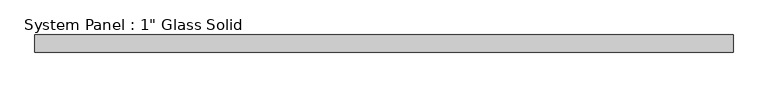
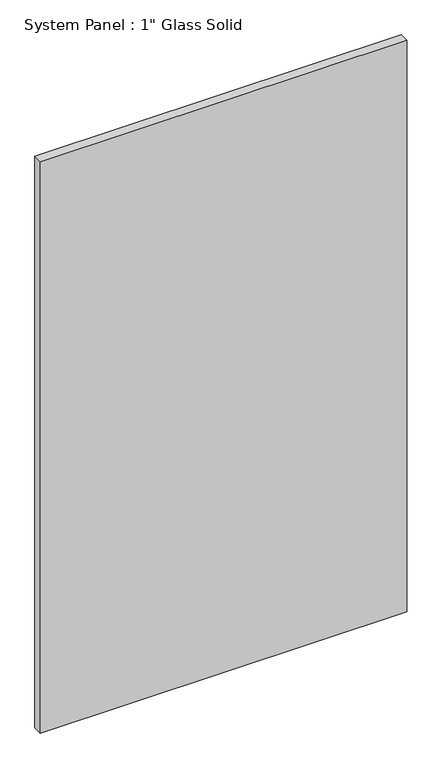
"""IFC4 building model written with IfcOpenShell, lengths in millimetres: plate geometry."""

from ifc_helpers import new_model, si_unit, origin, origin_with_axes, place, context, project, spatial, polyline, outline, extrude, source, transform, mapped, element, save


def plate_be397f07(model_context):
    return source(origin(), model_context, "Body", "SweptSolid", [
        extrude(outline(polyline([(506.4125, -12.7), (-506.4125, -12.7), (-506.4125, 12.7), (506.4125, 12.7), (506.4125, -12.7)])), origin_with_axes(), (0.0, 0.0, 1.0), 1670.05),
    ])


if __name__ == "__main__":
    model = new_model("IFC4")
    model_context = context("Model", 3, world=origin())
    ifc_project = project(units=[si_unit("LENGTHUNIT", "METRE", prefix="MILLI")], contexts=[model_context])
    site = spatial("IfcSite", under=ifc_project)
    building = spatial("IfcBuilding", under=site)
    placement = place(None, origin())
    plate_shape = plate_be397f07(model_context)
    element("IfcPlate", 1, ObjectType="System Panel : 1\" Glass Solid", at=placement, inside=building, context=model_context, shape_type="MappedRepresentation", body=[
        mapped(plate_shape, transform((0.0, 0.0, 0.0), x_axis=(1.0, 0.0, 0.0), y_axis=(0.0, 1.0, 0.0), z_axis=(0.0, 0.0, 1.0))),
    ])
    save(model, "model.ifc")
